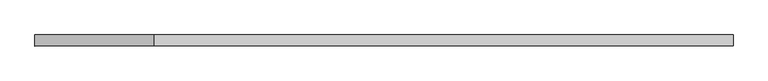
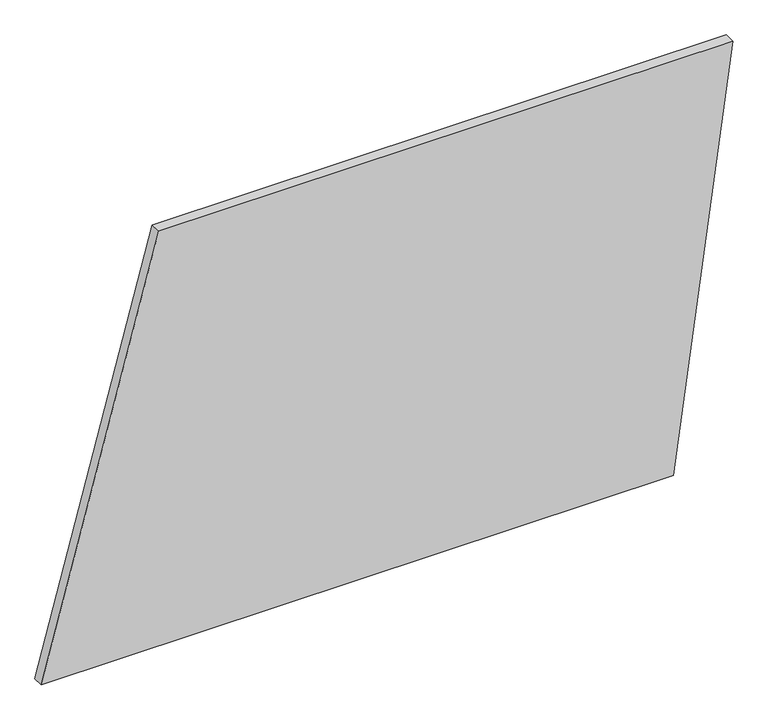
"""IFC4 building model written with IfcOpenShell, lengths in millimetres: plate geometry."""

from ifc_helpers import new_model, si_unit, frame, origin, place, context, project, spatial, polyline, outline, extrude, source, transform, mapped, element, save


def plate_ef7b5314(model_context):
    return source(origin(), model_context, "Body", "SweptSolid", [
        extrude(outline(polyline([(0.0, -788.4053889), (0.0, 652.653367), (1000.0, 788.4053889), (1000.0, -520.4561964), (0.0, -788.4053889)])), frame((0.0, 24.5, 0.0), z_axis=(0.0, 1.0, 0.0), x_axis=(0.0, 0.0, 1.0)), (0.0, 0.0, 1.0), 25.0),
    ])


if __name__ == "__main__":
    model = new_model("IFC4")
    model_context = context("Model", 3, world=origin())
    ifc_project = project(units=[si_unit("LENGTHUNIT", "METRE", prefix="MILLI")], contexts=[model_context])
    site = spatial("IfcSite", under=ifc_project)
    building = spatial("IfcBuilding", under=site)
    placement = place(None, origin())
    plate_shape = plate_ef7b5314(model_context)
    element("IfcPlate", 1, at=placement, inside=building, context=model_context, shape_type="MappedRepresentation", body=[
        mapped(plate_shape, transform((0.0, 0.0, 0.0), x_axis=(1.0, 0.0, 0.0), y_axis=(0.0, 1.0, 0.0), z_axis=(0.0, 0.0, 1.0))),
    ])
    save(model, "model.ifc")
